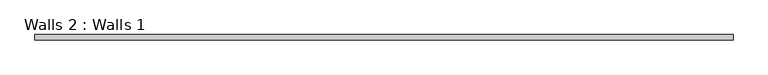
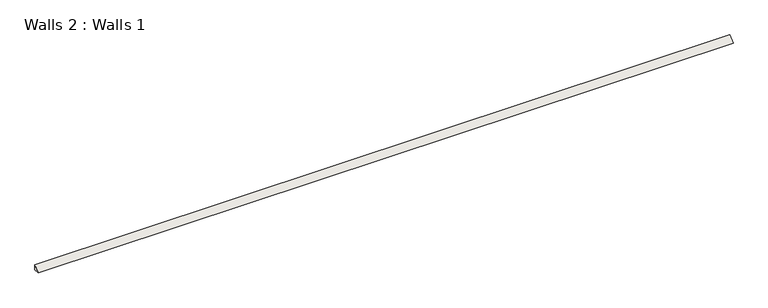
"""IFC4 building model written with IfcOpenShell, lengths in millimetres: wall geometry, Walls 2 : Walls 1."""

from ifc_helpers import new_model, si_unit, frame, origin, place, context, project, spatial, polyline, outline, extrude, source, transform, mapped, element, save


def walls_2_walls_1_7274c677(model_context):
    return source(origin(), model_context, "Body", "SweptSolid", [
        extrude(outline(polyline([(2116.3184093, 19.05), (2116.3184093, 0.0), (2097.2684093, 0.0), (2116.3184093, 19.05)])), frame((-663.6267943, 0.0, 0.0), z_axis=(1.0, 0.0, 0.0), x_axis=(0.0, 1.0, 0.0)), (0.0, 0.0, 1.0), 2438.4),
    ])


if __name__ == "__main__":
    model = new_model("IFC4")
    model_context = context("Model", 3, world=origin())
    ifc_project = project(units=[si_unit("LENGTHUNIT", "METRE", prefix="MILLI")], contexts=[model_context])
    site = spatial("IfcSite", under=ifc_project)
    building = spatial("IfcBuilding", under=site)
    placement = place(None, origin())
    walls_2_walls_1_shape = walls_2_walls_1_7274c677(model_context)
    element("IfcWall", 1, ObjectType="Walls 2 : Walls 1", at=placement, inside=building, context=model_context, shape_type="MappedRepresentation", body=[
        mapped(walls_2_walls_1_shape, transform((0.0, 0.0, 0.0), x_axis=(1.0, 0.0, 0.0), y_axis=(0.0, 1.0, 0.0), z_axis=(0.0, 0.0, 1.0))),
    ])
    save(model, "model.ifc")
